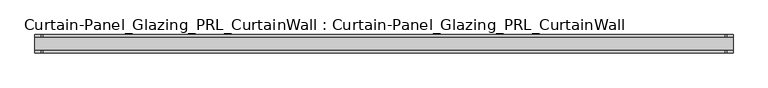
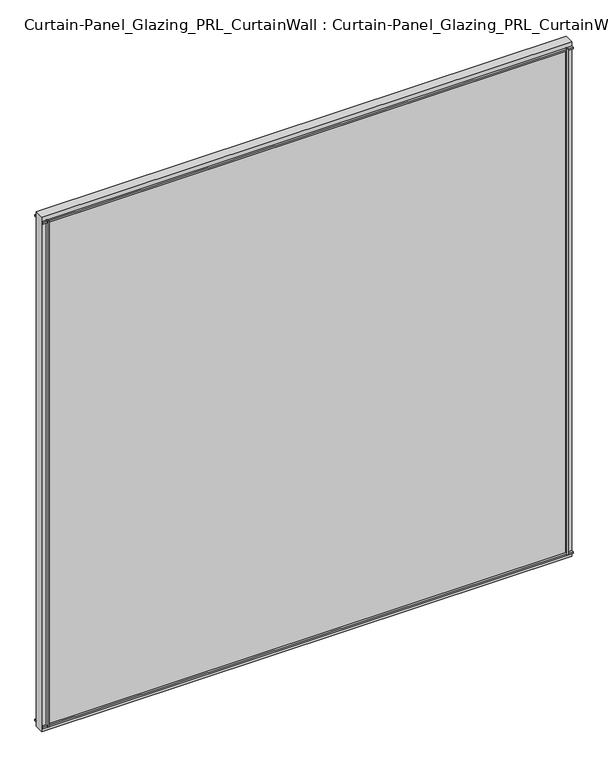
"""IFC4 building model written with IfcOpenShell, lengths in millimetres: plate geometry, Curtain-Panel_Glazing_PRL_CurtainWall : Curtain-Panel_Glazing_PRL_CurtainWall."""

import ifcopenshell
import ifcopenshell.guid

model = None  # the IFC model being written
_history = None  # IfcOwnerHistory: only IFC2X3 demands one
_inside = {}  # id of a spatial element -> (the spatial element, [elements in it])
_under = {}  # id of a project, library or spatial element -> (it, [spatial elements below it])
_declared = {}  # id of a project -> (the project, [libraries it declares])
_typed = {}  # id of a type object -> (the type object, [elements of that type])
_made_of = {}  # id of a material, layer set ... -> (it, [elements and type objects made of it])


def new_model(schema):
    """Start an empty IFC model of exactly this schema.

    Asked for "IFC4X3", IfcOpenShell would pick the latest addendum, in which some entities
    have other attributes; the version numbers below select the first issue.
    IFC2X3 requires an IfcOwnerHistory on every rooted entity: one is made here for all.
    """
    global model, _history
    if schema == "IFC4X3":
        model = ifcopenshell.file(schema_version=(4, 3, 0, 0))
    else:
        model = ifcopenshell.file(schema=schema)
    _inside.clear()
    _under.clear()
    _declared.clear()
    _typed.clear()
    _made_of.clear()
    _history = None
    if model.schema == "IFC2X3":
        org = make("IfcOrganization", Name="unknown")
        user = make(
            "IfcPersonAndOrganization",
            ThePerson=make("IfcPerson", FamilyName="unknown"),
            TheOrganization=org,
        )
        app = make(
            "IfcApplication",
            ApplicationDeveloper=org,
            Version="unknown",
            ApplicationFullName="unknown",
            ApplicationIdentifier="unknown",
        )
        _history = make(
            "IfcOwnerHistory",
            OwningUser=user,
            OwningApplication=app,
            ChangeAction="ADDED",
            CreationDate=0,
        )
    return model


def make(cls, **values):
    """One entity of the class cls with the attributes given. An attribute that is None is left unset."""
    return model.create_entity(
        cls, **{name: value for name, value in values.items() if value is not None}
    )


def rooted(cls, **values):
    """An entity with a GlobalId (a new one), such as an element, a storey or a relation."""
    return make(cls, GlobalId=ifcopenshell.guid.new(), OwnerHistory=_history, **values)


def si_unit(unit_type, name, prefix=None):
    """IfcSIUnit, for example si_unit("LENGTHUNIT", "METRE", prefix="MILLI")."""
    return make("IfcSIUnit", UnitType=unit_type, Prefix=prefix, Name=name)


def assignment(units):
    """IfcUnitAssignment: the units of a project."""
    return None if units is None else make("IfcUnitAssignment", Units=units)


def point(xyz):
    """IfcCartesianPoint."""
    return None if xyz is None else make("IfcCartesianPoint", Coordinates=xyz)


def direction(xyz):
    """IfcDirection."""
    return None if xyz is None else make("IfcDirection", DirectionRatios=xyz)


def frame(location, z_axis=None, x_axis=None):
    """IfcAxis2Placement3D, a coordinate frame: its origin and axes. An axis left out is left unset."""
    return make(
        "IfcAxis2Placement3D",
        Location=point(location),
        Axis=direction(z_axis),
        RefDirection=direction(x_axis),
    )


def origin():
    """The frame at (0, 0, 0) with its axes left unset."""
    return frame((0.0, 0.0, 0.0))


def origin_with_axes():
    """The frame at (0, 0, 0) with the z axis (0, 0, 1) and the x axis (1, 0, 0) written out."""
    return frame((0.0, 0.0, 0.0), z_axis=(0.0, 0.0, 1.0), x_axis=(1.0, 0.0, 0.0))


def place(relative_to, where):
    """IfcLocalPlacement: puts the frame where relative to a parent placement (None: the world)."""
    return make(
        "IfcLocalPlacement", PlacementRelTo=relative_to, RelativePlacement=where
    )


def context(
    kind, dimensions, precision=None, world=None, true_north=None, identifier=None
):
    """IfcGeometricRepresentationContext, for example the 3D "Model" context."""
    return make(
        "IfcGeometricRepresentationContext",
        ContextIdentifier=identifier,
        ContextType=kind,
        CoordinateSpaceDimension=dimensions,
        Precision=precision,
        WorldCoordinateSystem=world,
        TrueNorth=true_north,
    )


def project(units=None, contexts=None):
    """IfcProject with its units and contexts."""
    return rooted(
        "IfcProject",
        Name="project",
        RepresentationContexts=contexts,
        UnitsInContext=assignment(units),
    )


def spatial(cls, under=None, at=None, **own):
    """A site, building, storey or space (cls), placed at a placement, below another one or the project."""
    s = rooted(cls, ObjectPlacement=at, **own)
    if under is not None:
        _under.setdefault(under.id(), (under, []))[1].append(s)
    return s


def polyline(points):
    """IfcPolyline through the points."""
    return make("IfcPolyline", Points=[point(p) for p in points])


def outline(outer, holes=None, kind="AREA"):
    """IfcArbitraryClosedProfileDef: a profile drawn as a closed curve; with holes, ...WithVoids."""
    if holes is None:
        return make("IfcArbitraryClosedProfileDef", ProfileType=kind, OuterCurve=outer)
    return make(
        "IfcArbitraryProfileDefWithVoids",
        ProfileType=kind,
        OuterCurve=outer,
        InnerCurves=holes,
    )


def extrude(swept, where, along, depth):
    """IfcExtrudedAreaSolid: the profile swept, set in the frame where, extruded along a direction by depth."""
    return make(
        "IfcExtrudedAreaSolid",
        SweptArea=swept,
        Position=where,
        ExtrudedDirection=direction(along),
        Depth=depth,
    )


def shape(context_of_items, identifier, shape_type, items):
    """IfcShapeRepresentation: the items that make up one representation, for example the "Body"."""
    return make(
        "IfcShapeRepresentation",
        ContextOfItems=context_of_items,
        RepresentationIdentifier=identifier,
        RepresentationType=shape_type,
        Items=items,
    )


def source(mapping_origin, context_of_items, identifier, shape_type, items):
    """IfcRepresentationMap: a shape defined once, which mapped items show again and again."""
    return make(
        "IfcRepresentationMap",
        MappingOrigin=mapping_origin,
        MappedRepresentation=shape(context_of_items, identifier, shape_type, items),
    )


def transform(
    local_origin,
    x_axis=None,
    y_axis=None,
    z_axis=None,
    scale=None,
    scale2=None,
    scale3=None,
    uniform=True,
):
    """IfcCartesianTransformationOperator3D, or its non-uniform kind. x_axis, y_axis, z_axis: its Axis1, 2, 3."""
    if uniform:
        return make(
            "IfcCartesianTransformationOperator3D",
            Axis1=direction(x_axis),
            Axis2=direction(y_axis),
            LocalOrigin=point(local_origin),
            Scale=scale,
            Axis3=direction(z_axis),
        )
    return make(
        "IfcCartesianTransformationOperator3DnonUniform",
        Axis1=direction(x_axis),
        Axis2=direction(y_axis),
        LocalOrigin=point(local_origin),
        Scale=scale,
        Axis3=direction(z_axis),
        Scale2=scale2,
        Scale3=scale3,
    )


def mapped(mapping_source, mapping_target):
    """IfcMappedItem: shows the shape of a source again, moved by a transform."""
    return make(
        "IfcMappedItem", MappingSource=mapping_source, MappingTarget=mapping_target
    )


def made_of(thing, what):
    """Note that an element or type object is made of a material, layer set ...; save() writes the relation."""
    if what is not None:
        _made_of.setdefault(what.id(), (what, []))[1].append(thing)
    return thing


def element(
    cls,
    number,
    at=None,
    inside=None,
    cuts=None,
    type_object=None,
    material=None,
    context=None,
    identifier="Body",
    shape_type=None,
    held_by="IfcProductDefinitionShape",
    body=None,
    shapes=None,
    **own,
):
    """One element of the class cls, such as IfcWall. Its Tag is "e" and its number.

    at: its placement. inside: the storey or other place that contains it. cuts: it is an
    opening in that element (IfcRelVoidsElement). A single representation is given by context,
    identifier, shape_type and body (its items); several are given by shapes. held_by: the class
    of the entity that holds the representations. save() writes the other relations.
    """
    e = rooted(cls, Tag="e%d" % number, ObjectPlacement=at, **own)
    if body is not None:
        shapes = [shape(context, identifier, shape_type, body)]
    if shapes is not None:
        e.Representation = make(held_by, Representations=shapes)
    if inside is not None:
        _inside.setdefault(inside.id(), (inside, []))[1].append(e)
    if cuts is not None:
        rooted(
            "IfcRelVoidsElement", RelatingBuildingElement=cuts, RelatedOpeningElement=e
        )
    if type_object is not None:
        _typed.setdefault(type_object.id(), (type_object, []))[1].append(e)
    return made_of(e, material)


def aggregate(whole, parts):
    """IfcRelAggregates: a whole, such as a stair, and the parts it consists of."""
    return rooted("IfcRelAggregates", RelatingObject=whole, RelatedObjects=parts)


def save(model, path):
    """Write the relations noted so far, then the file.

    IfcRelAggregates (storeys below a building ...), IfcRelContainedInSpatialStructure (elements
    in a storey), IfcRelDefinesByType, IfcRelAssociatesMaterial and IfcRelDeclares: one each for
    every whole, place, type object, material and project.
    """
    for whole, parts in _under.values():
        aggregate(whole, parts)
    for where, things in _inside.values():
        rooted(
            "IfcRelContainedInSpatialStructure",
            RelatedElements=things,
            RelatingStructure=where,
        )
    for kind, things in _typed.values():
        rooted("IfcRelDefinesByType", RelatedObjects=things, RelatingType=kind)
    for what, things in _made_of.values():
        rooted("IfcRelAssociatesMaterial", RelatedObjects=things, RelatingMaterial=what)
    for by, libraries in _declared.values():
        rooted("IfcRelDeclares", RelatingContext=by, RelatedDefinitions=libraries)
    model.write(path)


def curtain_panel_glazing_prl_curtainwall_curtain_panel_glazing_e731ca85(model_context):
    return source(origin(), model_context, "Body", "SweptSolid", [
        extrude(outline(polyline([(711.2, -19.05), (707.23125, -19.05), (707.23125, -12.7), (711.2, -12.7), (711.2, -19.05)])), frame((0.0, 0.0, 12.7), z_axis=(0.0, 0.0, 1.0), x_axis=(1.0, 0.0, 0.0)), (0.0, 0.0, 1.0), 1460.5),
        extrude(outline(polyline([(711.2, 19.05), (711.2, 12.7), (707.23125, 12.7), (707.23125, 19.05), (711.2, 19.05)])), frame((0.0, 0.0, 12.7), z_axis=(0.0, 0.0, 1.0), x_axis=(1.0, 0.0, 0.0)), (0.0, 0.0, 1.0), 1460.5),
        extrude(outline(polyline([(-711.2, -19.05), (-711.2, -12.7), (-707.23125, -12.7), (-707.23125, -19.05), (-711.2, -19.05)])), frame((0.0, 0.0, 12.7), z_axis=(0.0, 0.0, 1.0), x_axis=(1.0, 0.0, 0.0)), (0.0, 0.0, 1.0), 1460.5),
        extrude(outline(polyline([(-711.2, 19.05), (-707.23125, 19.05), (-707.23125, 12.7), (-711.2, 12.7), (-711.2, 19.05)])), frame((0.0, 0.0, 12.7), z_axis=(0.0, 0.0, 1.0), x_axis=(1.0, 0.0, 0.0)), (0.0, 0.0, 1.0), 1460.5),
        extrude(outline(polyline([(723.9, 12.7), (723.9, -12.7), (-723.9, -12.7), (-723.9, 12.7), (723.9, 12.7)])), origin_with_axes(), (0.0, 0.0, 1.0), 1485.9),
        extrude(outline(polyline([(-723.9, -19.05), (-723.9, -12.7), (723.9, -12.7), (723.9, -19.05), (-723.9, -19.05)])), frame((0.0, 0.0, 1469.23125), z_axis=(0.0, 0.0, 1.0), x_axis=(1.0, 0.0, 0.0)), (0.0, 0.0, 1.0), 3.96875),
        extrude(outline(polyline([(-723.9, 19.05), (723.9, 19.05), (723.9, 12.7), (-723.9, 12.7), (-723.9, 19.05)])), frame((0.0, 0.0, 1469.23125), z_axis=(0.0, 0.0, 1.0), x_axis=(1.0, 0.0, 0.0)), (0.0, 0.0, 1.0), 3.96875),
        extrude(outline(polyline([(-723.9, -19.05), (-723.9, -12.7), (723.9, -12.7), (723.9, -19.05), (-723.9, -19.05)])), frame((0.0, 0.0, 12.7), z_axis=(0.0, 0.0, 1.0), x_axis=(1.0, 0.0, 0.0)), (0.0, 0.0, 1.0), 3.96875),
        extrude(outline(polyline([(-723.9, 19.05), (723.9, 19.05), (723.9, 12.7), (-723.9, 12.7), (-723.9, 19.05)])), frame((0.0, 0.0, 12.7), z_axis=(0.0, 0.0, 1.0), x_axis=(1.0, 0.0, 0.0)), (0.0, 0.0, 1.0), 3.96875),
    ])


if __name__ == "__main__":
    model = new_model("IFC4")
    model_context = context("Model", 3, world=origin())
    ifc_project = project(units=[si_unit("LENGTHUNIT", "METRE", prefix="MILLI")], contexts=[model_context])
    site = spatial("IfcSite", under=ifc_project)
    building = spatial("IfcBuilding", under=site)
    placement = place(None, origin())
    curtain_panel_glazing_prl_curtainwall_curtain_panel_glazing_shape = curtain_panel_glazing_prl_curtainwall_curtain_panel_glazing_e731ca85(model_context)
    element("IfcPlate", 1, ObjectType="Curtain-Panel_Glazing_PRL_CurtainWall : Curtain-Panel_Glazing_PRL_CurtainWall", at=placement, inside=building, context=model_context, shape_type="MappedRepresentation", body=[
        mapped(curtain_panel_glazing_prl_curtainwall_curtain_panel_glazing_shape, transform((0.0, 0.0, 0.0), x_axis=(1.0, 0.0, 0.0), y_axis=(0.0, 1.0, 0.0), z_axis=(0.0, 0.0, 1.0))),
    ])
    save(model, "model.ifc")
